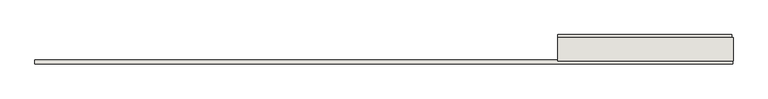
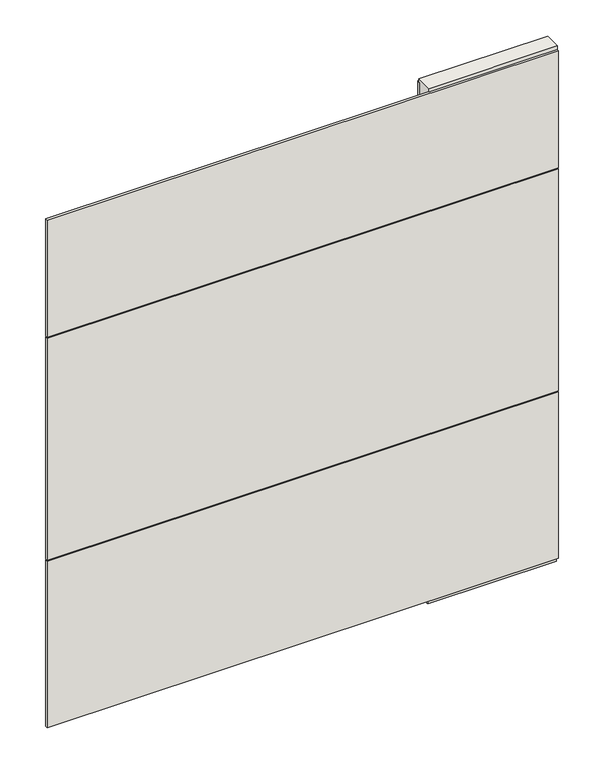
"""IFC4 building model written with IfcOpenShell, lengths in millimetres: wall geometry."""

from ifc_helpers import new_model, si_unit, frame, origin, place, context, project, spatial, polyline, outline, extrude, source, transform, mapped, element, save


def wall_2c93e6c9(model_context):
    return source(origin(), model_context, "Body", "SweptSolid", [
        extrude(outline(polyline([(55726.308918, -44700.2036398), (55723.768918, -44700.2036398), (55723.768918, -44697.6636398), (55726.308918, -44697.6636398), (55726.308918, -44700.2036398)])), frame((0.0, 0.0, 4419.6), z_axis=(0.0, 0.0, 1.0), x_axis=(1.0, 0.0, 0.0)), (0.0, 0.0, 1.0), 2.54),
        extrude(outline(polyline([(55116.2421168, -44648.1336398), (55721.842074, -44648.1336398), (55721.842074, -44660.8336398), (55116.2421168, -44660.8336398), (55116.2421168, -44648.1336398)])), frame((0.0, 0.0, 4445.0), z_axis=(0.0, 0.0, 1.0), x_axis=(1.0, 0.0, 0.0)), (0.0, 0.0, 1.0), 2545.0498756),
        extrude(outline(polyline([(55724.312224, -44749.7336398), (53298.912198, -44749.7336398), (53298.912198, -44737.0336398), (55724.312224, -44737.0336398), (55724.312224, -44749.7336398)])), frame((0.0, 0.0, 6402.8000722), z_axis=(0.0, 0.0, 1.0), x_axis=(1.0, 0.0, 0.0)), (0.0, 0.0, 1.0), 587.2498034),
        extrude(outline(polyline([(55724.312224, -44749.7336398), (53298.912198, -44749.7336398), (53298.912198, -44737.0336398), (55724.312224, -44737.0336398), (55724.312224, -44749.7336398)])), frame((0.0, 0.0, 5285.2000722), z_axis=(0.0, 0.0, 1.0), x_axis=(1.0, 0.0, 0.0)), (0.0, 0.0, 1.0), 1113.5999572),
        extrude(outline(polyline([(55724.312224, -44749.7336398), (53298.912198, -44749.7336398), (53298.912198, -44737.0336398), (55724.312224, -44737.0336398), (55724.312224, -44749.7336398)])), frame((0.0, 0.0, 4445.0), z_axis=(0.0, 0.0, 1.0), x_axis=(1.0, 0.0, 0.0)), (0.0, 0.0, 1.0), 836.200004),
        extrude(outline(polyline([(55726.303965, -44673.8498952), (55116.703965, -44673.8498952), (55116.703965, -44668.7711398), (55726.303965, -44668.7711398), (55726.303965, -44673.8498952)])), frame((0.0, 0.0, 4418.6602), z_axis=(0.0, 0.0, 1.0), x_axis=(1.0, 0.0, 0.0)), (0.0, 0.0, 1.0), 47.625),
        extrude(outline(polyline([(55726.303965, -44673.8498952), (55116.703965, -44673.8498952), (55116.703965, -44668.7711398), (55726.303965, -44668.7711398), (55726.303965, -44673.8498952)])), frame((0.0, 0.0, 4418.6602), z_axis=(0.0, 0.0, 1.0), x_axis=(1.0, 0.0, 0.0)), (0.0, 0.0, 1.0), 47.625),
        extrude(outline(polyline([(55116.703965, -44724.0142856), (55726.303965, -44724.0142856), (55726.303965, -44729.0961398), (55116.703965, -44729.0961398), (55116.703965, -44724.0142856)])), frame((0.0, 0.0, 4418.6602), z_axis=(0.0, 0.0, 1.0), x_axis=(1.0, 0.0, 0.0)), (0.0, 0.0, 1.0), 47.625),
        extrude(outline(polyline([(55116.703965, -44724.0142856), (55726.303965, -44724.0142856), (55726.303965, -44729.0961398), (55116.703965, -44729.0961398), (55116.703965, -44724.0142856)])), frame((0.0, 0.0, 4418.6602), z_axis=(0.0, 0.0, 1.0), x_axis=(1.0, 0.0, 0.0)), (0.0, 0.0, 1.0), 47.625),
        extrude(outline(polyline([(55726.303965, -44658.30667), (55726.303965, -44739.5854254), (55116.703965, -44739.5854254), (55116.703965, -44658.30667), (55726.303965, -44658.30667)])), frame((0.0, 0.0, 4445.0), z_axis=(0.0, 0.0, 1.0), x_axis=(1.0, 0.0, 0.0)), (0.0, 0.0, 1.0), 2562.4536762),
    ])


if __name__ == "__main__":
    model = new_model("IFC4")
    model_context = context("Model", 3, world=origin())
    ifc_project = project(units=[si_unit("LENGTHUNIT", "METRE", prefix="MILLI")], contexts=[model_context])
    site = spatial("IfcSite", under=ifc_project)
    building = spatial("IfcBuilding", under=site)
    placement = place(None, origin())
    wall_shape = wall_2c93e6c9(model_context)
    element("IfcWall", 1, at=placement, inside=building, context=model_context, shape_type="MappedRepresentation", body=[
        mapped(wall_shape, transform((0.0, 0.0, 0.0), x_axis=(1.0, 0.0, 0.0), y_axis=(0.0, 1.0, 0.0), z_axis=(0.0, 0.0, 1.0))),
    ])
    save(model, "model.ifc")
